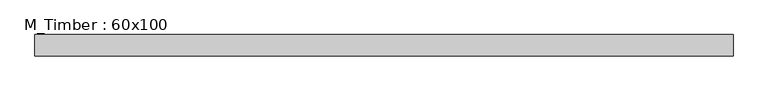
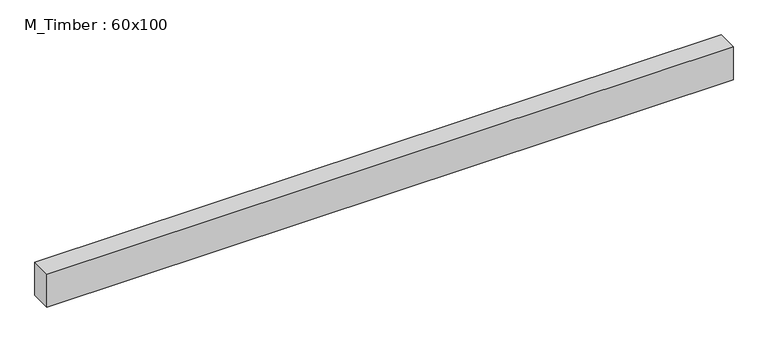
"""IFC4 building model written with IfcOpenShell, lengths in millimetres: beam geometry, M_Timber : 60x100."""

from ifc_helpers import new_model, si_unit, frame, origin, place, context, project, spatial, polyline, outline, extrude, source, transform, mapped, element, save


def m_timber_60x100_abb2fc9a(model_context):
    return source(origin(), model_context, "Body", "SweptSolid", [
        extrude(outline(polyline([(995.2251729, 30.0), (995.2251729, -30.0), (-976.214364, -30.0), (-976.214364, 30.0), (995.2251729, 30.0)])), frame((0.0, 0.0, -50.0), z_axis=(0.0, 0.0, 1.0), x_axis=(1.0, 0.0, 0.0)), (0.0, 0.0, 1.0), 100.0),
    ])


if __name__ == "__main__":
    model = new_model("IFC4")
    model_context = context("Model", 3, world=origin())
    ifc_project = project(units=[si_unit("LENGTHUNIT", "METRE", prefix="MILLI")], contexts=[model_context])
    site = spatial("IfcSite", under=ifc_project)
    building = spatial("IfcBuilding", under=site)
    placement = place(None, origin())
    m_timber_60x100_shape = m_timber_60x100_abb2fc9a(model_context)
    element("IfcBeam", 1, ObjectType="M_Timber : 60x100", at=placement, inside=building, context=model_context, shape_type="MappedRepresentation", body=[
        mapped(m_timber_60x100_shape, transform((0.0, 0.0, 0.0), x_axis=(1.0, 0.0, 0.0), y_axis=(0.0, 1.0, 0.0), z_axis=(0.0, 0.0, 1.0))),
    ])
    save(model, "model.ifc")
